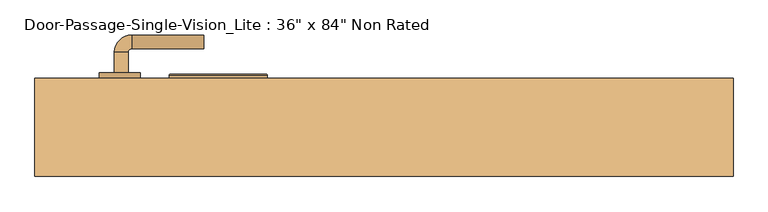
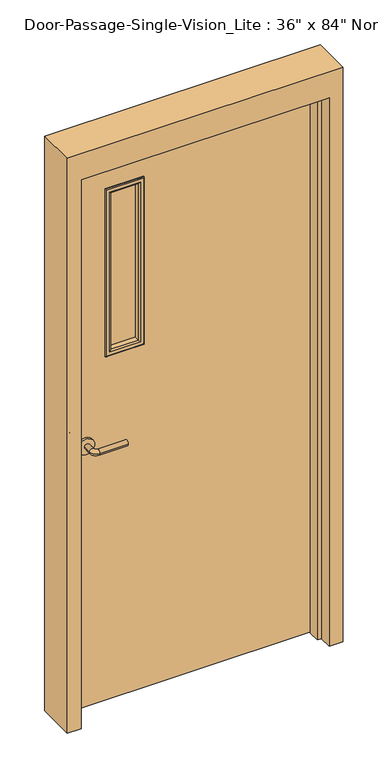
"""IFC4 building model written with IfcOpenShell, lengths in millimetres: door geometry."""

from ifc_helpers import new_model, si_unit, point, frame, frame_2d, origin, place, context, project, spatial, polyline, circle_curve, ellipse_curve, trimmed, segment, composite_curve, outline, extrude, faceted_brep, source, transform, mapped, element, save
from ifc_brep_helpers import plane_surface, cylinder_surface, revolved_surface, advanced_brep


def door_d94f2980(model_context):
    return source(origin(), model_context, "Body", "SolidModel", [
        advanced_brep(
        [(-392.190625, 25.3375, 1016.0), (-372.190625, 25.3375, 1016.0), (-372.190625, -4.6625, 1016.0), (-392.190625, -4.6625, 1016.0), (-367.190625, -9.6625, 1016.0), (-367.190625, -29.6625, 1016.0), (-262.190625, -29.6625, 1016.0), (-262.190625, -9.6625, 1016.0)],
        [
            (0, 1, circle_curve(frame((-382.190625, 25.3375, 1016.0), z_axis=(0.0, 1.0, 0.0), x_axis=(1.0, 0.0, 0.0)), 10.0)),
            (1, 0, circle_curve(frame((-382.190625, 25.3375, 1016.0), z_axis=(0.0, 1.0, 0.0), x_axis=(1.0, 0.0, 0.0)), 10.0)),
            (1, 2),
            (2, 3, circle_curve(frame((-382.190625, -4.6625, 1016.0), z_axis=(0.0, 1.0, 0.0), x_axis=(1.0, 0.0, 0.0)), 10.0)),
            (3, 0),
            (3, 2, circle_curve(frame((-382.190625, -4.6625, 1016.0), z_axis=(0.0, 1.0, 0.0), x_axis=(1.0, 0.0, 0.0)), 10.0)),
            (4, 5, circle_curve(frame((-367.190625, -19.6625, 1016.0), z_axis=(-1.0, 0.0, 0.0), x_axis=(0.0, 1.0, 0.0)), 10.0)),
            (5, 3, circle_curve(frame((-367.190625, -4.6625, 1016.0), z_axis=(0.0, 0.0, -1.0), x_axis=(-1.0, 0.0, 0.0)), 25.0)),
            (2, 4, circle_curve(frame((-367.190625, -4.6625, 1016.0), z_axis=(0.0, 0.0, 1.0), x_axis=(-1.0, 0.0, 0.0)), 5.0)),
            (5, 4, circle_curve(frame((-367.190625, -19.6625, 1016.0), z_axis=(-1.0, 0.0, 0.0), x_axis=(0.0, 1.0, 0.0)), 10.0)),
            (6, 7, circle_curve(frame((-262.190625, -19.6625, 1016.0), z_axis=(1.0, 0.0, 0.0), x_axis=(0.0, 1.0, 0.0)), 10.0)),
            (7, 6, circle_curve(frame((-262.190625, -19.6625, 1016.0), z_axis=(1.0, 0.0, 0.0), x_axis=(0.0, 1.0, 0.0)), 10.0)),
            (4, 7),
            (6, 5),
        ],
        [
            plane_surface(frame((-382.190625, 25.3375, 1016.0), z_axis=(0.0, 1.0, 0.0), x_axis=(0.0, 0.0, 1.0))),
            cylinder_surface(frame((-382.190625, 25.3375, 1016.0), z_axis=(0.0, 1.0, 0.0), x_axis=(1.0, 0.0, 0.0)), 10.0),
            revolved_surface(trimmed(ellipse_curve(frame((-382.190625, -4.6625, 1016.0), z_axis=(0.0, -1.0, 0.0), x_axis=(1.0, 0.0, 0.0)), 10.0, 10.0), [point((-392.190625, -4.6625, 1016.0))], [point((-372.190625, -4.6625, 1016.0))], True, "CARTESIAN"), (-367.190625, -4.6625, 1016.0), (0.0, 0.0, -1.0)),
            revolved_surface(trimmed(ellipse_curve(frame((-382.190625, -4.6625, 1016.0), z_axis=(0.0, -1.0, 0.0), x_axis=(1.0, 0.0, 0.0)), 10.0, 10.0), [point((-372.190625, -4.6625, 1016.0))], [point((-392.190625, -4.6625, 1016.0))], True, "CARTESIAN"), (-367.190625, -4.6625, 1016.0), (0.0, 0.0, -1.0)),
            plane_surface(frame((-262.190625, -19.6625, 1016.0), z_axis=(1.0, 0.0, 0.0), x_axis=(0.0, 0.0, 1.0))),
            cylinder_surface(frame((-367.190625, -19.6625, 1016.0), z_axis=(-1.0, 0.0, 0.0), x_axis=(0.0, 1.0, 0.0)), 10.0),
        ],
        [
            (0, [[1, 2]]),
            (1, [[3, 4, 5, -2]]),
            (1, [[-5, 6, -3, -1]]),
            (2, [[7, 8, -4, 9]]),
            (3, [[10, -9, -6, -8]]),
            (4, [[11, 12]]),
            (5, [[13, -11, 14, -7]]),
            (5, [[-14, -12, -13, -10]]),
        ],
    ),
        extrude(outline(composite_curve([segment(trimmed(circle_curve(frame_2d((1016.0, -384.690625)), 30.0), [point((1016.0, -414.690625))], [point((1016.0, -354.690625))], False, "CARTESIAN"), True, "CONTINUOUS"), segment(trimmed(circle_curve(frame_2d((1016.0, -384.690625)), 30.0), [point((1016.0, -354.690625))], [point((1016.0, -414.690625))], False, "CARTESIAN"), True, "CONTINUOUS")], self_intersect=False)), frame((0.0, 25.3375, 0.0), z_axis=(0.0, 1.0, 0.0), x_axis=(0.0, 0.0, 1.0)), (0.0, 0.0, 1.0), 8.0),
        advanced_brep(
        [(-392.190625, 85.7875, 1016.0), (-372.190625, 85.7875, 1016.0), (-392.190625, 115.7875, 1016.0), (-372.190625, 115.7875, 1016.0), (-367.190625, 120.7875, 1016.0), (-367.190625, 140.7875, 1016.0), (-262.190625, 140.7875, 1016.0), (-262.190625, 120.7875, 1016.0)],
        [
            (0, 1, circle_curve(frame((-382.190625, 85.7875, 1016.0), z_axis=(0.0, -1.0, 0.0), x_axis=(1.0, 0.0, 0.0)), 10.0)),
            (1, 0, circle_curve(frame((-382.190625, 85.7875, 1016.0), z_axis=(0.0, -1.0, 0.0), x_axis=(1.0, 0.0, 0.0)), 10.0)),
            (0, 2),
            (2, 3, circle_curve(frame((-382.190625, 115.7875, 1016.0), z_axis=(0.0, -1.0, 0.0), x_axis=(1.0, 0.0, 0.0)), 10.0)),
            (3, 1),
            (3, 2, circle_curve(frame((-382.190625, 115.7875, 1016.0), z_axis=(0.0, -1.0, 0.0), x_axis=(1.0, 0.0, 0.0)), 10.0)),
            (4, 3, circle_curve(frame((-367.190625, 115.7875, 1016.0), z_axis=(0.0, 0.0, 1.0), x_axis=(-1.0, 0.0, 0.0)), 5.0)),
            (2, 5, circle_curve(frame((-367.190625, 115.7875, 1016.0), z_axis=(0.0, 0.0, -1.0), x_axis=(-1.0, 0.0, 0.0)), 25.0)),
            (5, 4, circle_curve(frame((-367.190625, 130.7875, 1016.0), z_axis=(-1.0, 0.0, 0.0), x_axis=(0.0, -1.0, 0.0)), 10.0)),
            (4, 5, circle_curve(frame((-367.190625, 130.7875, 1016.0), z_axis=(-1.0, 0.0, 0.0), x_axis=(0.0, -1.0, 0.0)), 10.0)),
            (6, 7, circle_curve(frame((-262.190625, 130.7875, 1016.0), z_axis=(1.0, 0.0, 0.0), x_axis=(0.0, -1.0, 0.0)), 10.0)),
            (7, 6, circle_curve(frame((-262.190625, 130.7875, 1016.0), z_axis=(1.0, 0.0, 0.0), x_axis=(0.0, -1.0, 0.0)), 10.0)),
            (5, 6),
            (7, 4),
        ],
        [
            plane_surface(frame((-382.190625, 85.7875, 1016.0), z_axis=(0.0, -1.0, 0.0), x_axis=(0.0, 0.0, 1.0))),
            cylinder_surface(frame((-382.190625, 85.7875, 1016.0), z_axis=(0.0, -1.0, 0.0), x_axis=(1.0, 0.0, 0.0)), 10.0),
            revolved_surface(trimmed(ellipse_curve(frame((-382.190625, 115.7875, 1016.0), z_axis=(0.0, -1.0, 0.0), x_axis=(1.0, 0.0, 0.0)), 10.0, 10.0), [point((-392.190625, 115.7875, 1016.0))], [point((-372.190625, 115.7875, 1016.0))], True, "CARTESIAN"), (-367.190625, 115.7875, 1016.0), (0.0, 0.0, -1.0)),
            revolved_surface(trimmed(ellipse_curve(frame((-382.190625, 115.7875, 1016.0), z_axis=(0.0, -1.0, 0.0), x_axis=(1.0, 0.0, 0.0)), 10.0, 10.0), [point((-372.190625, 115.7875, 1016.0))], [point((-392.190625, 115.7875, 1016.0))], True, "CARTESIAN"), (-367.190625, 115.7875, 1016.0), (0.0, 0.0, -1.0)),
            plane_surface(frame((-262.190625, 130.7875, 1016.0), z_axis=(1.0, 0.0, 0.0), x_axis=(0.0, 0.0, 1.0))),
            cylinder_surface(frame((-367.190625, 130.7875, 1016.0), z_axis=(-1.0, 0.0, 0.0), x_axis=(0.0, -1.0, 0.0)), 10.0),
        ],
        [
            (0, [[1, 2]]),
            (1, [[-1, 3, 4, 5]]),
            (1, [[-2, -5, 6, -3]]),
            (2, [[7, -4, 8, 9]]),
            (3, [[-8, -6, -7, 10]]),
            (4, [[11, 12]]),
            (5, [[-9, 13, -12, 14]]),
            (5, [[-10, -14, -11, -13]]),
        ],
    ),
        extrude(outline(composite_curve([segment(trimmed(circle_curve(frame_2d((1016.0, -384.690625)), 30.0), [point((1016.0, -414.690625))], [point((1016.0, -354.690625))], False, "CARTESIAN"), True, "CONTINUOUS"), segment(trimmed(circle_curve(frame_2d((1016.0, -384.690625)), 30.0), [point((1016.0, -354.690625))], [point((1016.0, -414.690625))], False, "CARTESIAN"), True, "CONTINUOUS")], self_intersect=False)), frame((0.0, 77.7875, 0.0), z_axis=(0.0, 1.0, 0.0), x_axis=(0.0, 0.0, 1.0)), (0.0, 0.0, 1.0), 8.0),
        faceted_brep([(457.2, 28.575, 0.0), (457.2, 77.7875, 0.0), (508.0, 77.7875, 0.0), (508.0, -65.0875, 0.0), (457.2, -65.0875, 0.0), (457.2, -15.875, 0.0), (441.325, -15.875, 0.0), (441.325, 28.575, 0.0), (457.2, 28.575, 2133.6), (457.2, 77.7875, 2133.6), (-457.2, 77.7875, 2133.6), (-457.2, 77.7875, 0.0), (-508.0, 77.7875, 0.0), (-508.0, 77.7875, 2235.2), (508.0, 77.7875, 2235.2), (508.0, -65.0875, 2235.2), (-508.0, -65.0875, 2235.2), (-508.0, -65.0875, 0.0), (-457.2, -65.0875, 0.0), (-457.2, -65.0875, 2133.6), (457.2, -65.0875, 2133.6), (457.2, -15.875, 2133.6), (-457.2, -15.875, 2133.6), (-457.2, -15.875, 0.0), (-441.325, -15.875, 0.0), (-441.325, -15.875, 2117.725), (441.325, -15.875, 2117.725), (441.325, 28.575, 2117.725), (-441.325, 28.575, 2117.725), (-441.325, 28.575, 0.0), (-457.2, 28.575, 0.0), (-457.2, 28.575, 2133.6)], [[[0, 1, 2, 3, 4, 5, 6, 7]], [[1, 0, 8, 9]], [[2, 1, 9, 10, 11, 12, 13, 14]], [[3, 2, 14, 15]], [[4, 3, 15, 16, 17, 18, 19, 20]], [[5, 4, 20, 21]], [[6, 5, 21, 22, 23, 24, 25, 26]], [[7, 6, 26, 27]], [[0, 7, 27, 28, 29, 30, 31, 8]], [[9, 8, 31, 10]], [[20, 19, 22, 21]], [[26, 25, 28, 27]], [[12, 11, 30, 29, 24, 23, 18, 17]], [[11, 10, 31, 30]], [[13, 12, 17, 16]], [[19, 18, 23, 22]], [[25, 24, 29, 28]], [[15, 14, 13, 16]]]),
        extrude(outline(polyline([(2133.6, -457.2), (0.0, -457.2), (0.0, 457.2), (2133.6, 457.2), (2133.6, -457.2)]), holes=[polyline([(1981.2, -304.8), (1981.2, -177.8), (1346.2, -177.8), (1346.2, -304.8), (1981.2, -304.8)])]), frame((0.0, 33.3375, 0.0), z_axis=(0.0, 1.0, 0.0), x_axis=(0.0, 0.0, 1.0)), (0.0, 0.0, 1.0), 44.45),
        extrude(outline(polyline([(-177.8, 52.3875), (-304.8, 52.3875), (-304.8, 58.7375), (-177.8, 58.7375), (-177.8, 52.3875)])), frame((0.0, 0.0, 1346.2), z_axis=(0.0, 0.0, 1.0), x_axis=(1.0, 0.0, 0.0)), (0.0, 0.0, 1.0), 635.0),
        advanced_brep(
        [(-304.8, 52.3875, 1346.2), (-304.8, 33.3375, 1346.2), (-304.8, 33.3375, 1981.2), (-304.8, 52.3875, 1981.2), (-292.8, 32.3375, 1358.2), (-292.8, 52.3875, 1358.2), (-292.8, 52.3875, 1969.2), (-292.8, 32.3375, 1969.2), (-297.8, 27.3375, 1353.2), (-297.8, 27.3375, 1974.2), (-312.8, 29.3375, 1338.2), (-310.8, 27.3375, 1340.2), (-310.8, 27.3375, 1987.2), (-312.8, 29.3375, 1989.2), (-312.8, 33.3375, 1338.2), (-312.8, 33.3375, 1989.2), (-177.8, 33.3375, 1981.2), (-177.8, 52.3875, 1981.2), (-189.8, 52.3875, 1969.2), (-189.8, 32.3375, 1969.2), (-184.8, 27.3375, 1974.2), (-171.8, 27.3375, 1987.2), (-169.8, 29.3375, 1989.2), (-169.8, 33.3375, 1989.2), (-177.8, 33.3375, 1346.2), (-177.8, 52.3875, 1346.2), (-189.8, 52.3875, 1358.2), (-189.8, 32.3375, 1358.2), (-184.8, 27.3375, 1353.2), (-171.8, 27.3375, 1340.2), (-169.8, 29.3375, 1338.2), (-169.8, 33.3375, 1338.2)],
        [
            (0, 1),
            (1, 2),
            (2, 3),
            (3, 0),
            (4, 5),
            (5, 6),
            (6, 7),
            (7, 4),
            (8, 4, ellipse_curve(frame((-297.8, 32.3375, 1353.2), z_axis=(-0.7071067811865475, 0.0, 0.7071067811865475), x_axis=(-0.7071067811865474, 0.0, -0.7071067811865476)), 7.0710678, 5.0)),
            (7, 9, ellipse_curve(frame((-297.8, 32.3375, 1974.2), z_axis=(-0.7071067811865475, 0.0, -0.7071067811865475), x_axis=(0.7071067811865474, 0.0, -0.7071067811865476)), 7.0710678, 5.0)),
            (9, 8),
            (10, 11, ellipse_curve(frame((-310.8, 29.3375, 1340.2), z_axis=(-0.7071067811865475, 0.0, 0.7071067811865475), x_axis=(-0.7071067811865474, 0.0, -0.7071067811865476)), 2.8284271, 2.0)),
            (11, 12),
            (12, 13, ellipse_curve(frame((-310.8, 29.3375, 1987.2), z_axis=(-0.7071067811865475, 0.0, -0.7071067811865475), x_axis=(0.7071067811865474, 0.0, -0.7071067811865476)), 2.8284271, 2.0)),
            (13, 10),
            (14, 10),
            (13, 15),
            (15, 14),
            (2, 16),
            (16, 17),
            (17, 3),
            (6, 18),
            (18, 19),
            (19, 7),
            (19, 20, ellipse_curve(frame((-184.8, 32.3375, 1974.2), z_axis=(-0.7071067811865475, 0.0, 0.7071067811865475), x_axis=(-0.7071067811865476, 0.0, -0.7071067811865474)), 7.0710678, 5.0)),
            (20, 9),
            (12, 21),
            (21, 22, ellipse_curve(frame((-171.8, 29.3375, 1987.2), z_axis=(-0.7071067811865475, 0.0, 0.7071067811865475), x_axis=(-0.7071067811865476, 0.0, -0.7071067811865474)), 2.8284271, 2.0)),
            (22, 13),
            (22, 23),
            (23, 15),
            (16, 24),
            (24, 25),
            (25, 17),
            (18, 26),
            (26, 27),
            (27, 19),
            (27, 28, ellipse_curve(frame((-184.8, 32.3375, 1353.2), z_axis=(0.7071067811865475, 0.0, 0.7071067811865475), x_axis=(-0.7071067811865474, 0.0, 0.7071067811865476)), 7.0710678, 5.0)),
            (28, 20),
            (21, 29),
            (29, 30, ellipse_curve(frame((-171.8, 29.3375, 1340.2), z_axis=(0.7071067811865475, 0.0, 0.7071067811865475), x_axis=(-0.7071067811865474, 0.0, 0.7071067811865476)), 2.8284271, 2.0)),
            (30, 22),
            (30, 31),
            (31, 23),
            (31, 14),
            (1, 24),
            (0, 25),
            (5, 26),
            (4, 27),
            (8, 28),
            (11, 29),
            (10, 30),
        ],
        [
            plane_surface(frame((-304.8, 33.3375, 1346.2), z_axis=(-1.0, 0.0, 0.0), x_axis=(0.0, 0.0, 1.0))),
            plane_surface(frame((-292.8, 52.3875, 1358.2), z_axis=(1.0, 0.0, 0.0), x_axis=(0.0, 0.0, 1.0))),
            cylinder_surface(frame((-297.8, 32.3375, 1346.2), z_axis=(0.0, 0.0, -1.0), x_axis=(-1.0, 0.0, 0.0)), 5.0),
            cylinder_surface(frame((-310.8, 29.3375, 1346.2), z_axis=(0.0, 0.0, -1.0), x_axis=(-1.0, 0.0, 0.0)), 2.0),
            plane_surface(frame((-312.8, 29.3375, 1338.2), z_axis=(-1.0, 0.0, 0.0), x_axis=(0.0, 0.0, 1.0))),
            plane_surface(frame((-304.8, 33.3375, 1981.2), z_axis=(0.0, 0.0, 1.0), x_axis=(1.0, 0.0, 0.0))),
            plane_surface(frame((-292.8, 52.3875, 1969.2), z_axis=(0.0, 0.0, -1.0), x_axis=(1.0, 0.0, 0.0))),
            cylinder_surface(frame((-304.8, 32.3375, 1974.2), z_axis=(-1.0, 0.0, 0.0), x_axis=(0.0, 0.0, 1.0)), 5.0),
            cylinder_surface(frame((-304.8, 29.3375, 1987.2), z_axis=(-1.0, 0.0, 0.0), x_axis=(0.0, 0.0, 1.0)), 2.0),
            plane_surface(frame((-312.8, 29.3375, 1989.2), z_axis=(0.0, 0.0, 1.0), x_axis=(1.0, 0.0, 0.0))),
            plane_surface(frame((-177.8, 33.3375, 1981.2), z_axis=(1.0, 0.0, 0.0), x_axis=(0.0, 0.0, -1.0))),
            plane_surface(frame((-189.8, 52.3875, 1969.2), z_axis=(-1.0, 0.0, 0.0), x_axis=(0.0, 0.0, -1.0))),
            cylinder_surface(frame((-184.8, 32.3375, 1981.2), z_axis=(0.0, 0.0, 1.0), x_axis=(1.0, 0.0, 0.0)), 5.0),
            cylinder_surface(frame((-171.8, 29.3375, 1981.2), z_axis=(0.0, 0.0, 1.0), x_axis=(1.0, 0.0, 0.0)), 2.0),
            plane_surface(frame((-169.8, 29.3375, 1989.2), z_axis=(1.0, 0.0, 0.0), x_axis=(0.0, 0.0, -1.0))),
            plane_surface(frame((-169.8, 33.3375, 1338.2), z_axis=(0.0, 1.0, 0.0), x_axis=(-1.0, 0.0, 0.0))),
            plane_surface(frame((-177.8, 33.3375, 1346.2), z_axis=(0.0, 0.0, -1.0), x_axis=(-1.0, 0.0, 0.0))),
            plane_surface(frame((-177.8, 52.3875, 1346.2), z_axis=(0.0, 1.0, 0.0), x_axis=(-1.0, 0.0, 0.0))),
            plane_surface(frame((-189.8, 52.3875, 1358.2), z_axis=(0.0, 0.0, 1.0), x_axis=(-1.0, 0.0, 0.0))),
            cylinder_surface(frame((-177.8, 32.3375, 1353.2), z_axis=(1.0, 0.0, 0.0), x_axis=(0.0, 0.0, -1.0)), 5.0),
            plane_surface(frame((-184.8, 27.3375, 1353.2), z_axis=(0.0, -1.0, 0.0), x_axis=(-1.0, 0.0, 0.0))),
            cylinder_surface(frame((-177.8, 29.3375, 1340.2), z_axis=(1.0, 0.0, 0.0), x_axis=(0.0, 0.0, -1.0)), 2.0),
            plane_surface(frame((-169.8, 29.3375, 1338.2), z_axis=(0.0, 0.0, -1.0), x_axis=(-1.0, 0.0, 0.0))),
        ],
        [
            (0, [[1, 2, 3, 4]]),
            (1, [[5, 6, 7, 8]]),
            (2, [[9, -8, 10, 11]]),
            (3, [[12, 13, 14, 15]]),
            (4, [[16, -15, 17, 18]]),
            (5, [[-3, 19, 20, 21]]),
            (6, [[-7, 22, 23, 24]]),
            (7, [[-10, -24, 25, 26]]),
            (8, [[-14, 27, 28, 29]]),
            (9, [[-17, -29, 30, 31]]),
            (10, [[-20, 32, 33, 34]]),
            (11, [[-23, 35, 36, 37]]),
            (12, [[-25, -37, 38, 39]]),
            (13, [[-28, 40, 41, 42]]),
            (14, [[-30, -42, 43, 44]]),
            (15, [[-31, -44, 45, -18], [46, -32, -19, -2]]),
            (16, [[-33, -46, -1, 47]]),
            (17, [[-21, -34, -47, -4], [48, -35, -22, -6]]),
            (18, [[-36, -48, -5, 49]]),
            (19, [[-38, -49, -9, 50]]),
            (20, [[51, -40, -27, -13], [-26, -39, -50, -11]]),
            (21, [[-41, -51, -12, 52]]),
            (22, [[-43, -52, -16, -45]]),
        ],
    ),
        advanced_brep(
        [(-304.8, 58.7375, 1981.2), (-304.8, 77.7875, 1981.2), (-304.8, 77.7875, 1346.2), (-304.8, 58.7375, 1346.2), (-292.8, 78.7875, 1969.2), (-292.8, 58.7375, 1969.2), (-292.8, 58.7375, 1358.2), (-292.8, 78.7875, 1358.2), (-297.8, 83.7875, 1974.2), (-297.8, 83.7875, 1353.2), (-312.8, 81.7875, 1989.2), (-310.8, 83.7875, 1987.2), (-310.8, 83.7875, 1340.2), (-312.8, 81.7875, 1338.2), (-312.8, 77.7875, 1989.2), (-312.8, 77.7875, 1338.2), (-177.8, 77.7875, 1346.2), (-177.8, 58.7375, 1346.2), (-189.8, 58.7375, 1358.2), (-189.8, 78.7875, 1358.2), (-184.8, 83.7875, 1353.2), (-171.8, 83.7875, 1340.2), (-169.8, 81.7875, 1338.2), (-169.8, 77.7875, 1338.2), (-177.8, 77.7875, 1981.2), (-177.8, 58.7375, 1981.2), (-189.8, 58.7375, 1969.2), (-189.8, 78.7875, 1969.2), (-184.8, 83.7875, 1974.2), (-171.8, 83.7875, 1987.2), (-169.8, 81.7875, 1989.2), (-169.8, 77.7875, 1989.2)],
        [
            (0, 1),
            (1, 2),
            (2, 3),
            (3, 0),
            (4, 5),
            (5, 6),
            (6, 7),
            (7, 4),
            (8, 4, ellipse_curve(frame((-297.8, 78.7875, 1974.2), z_axis=(-0.7071067811865475, 0.0, -0.7071067811865475), x_axis=(-0.7071067811865474, 0.0, 0.7071067811865476)), 7.0710678, 5.0)),
            (7, 9, ellipse_curve(frame((-297.8, 78.7875, 1353.2), z_axis=(-0.7071067811865475, 0.0, 0.7071067811865475), x_axis=(0.7071067811865474, 0.0, 0.7071067811865476)), 7.0710678, 5.0)),
            (9, 8),
            (10, 11, ellipse_curve(frame((-310.8, 81.7875, 1987.2), z_axis=(-0.7071067811865475, 0.0, -0.7071067811865475), x_axis=(-0.7071067811865474, 0.0, 0.7071067811865476)), 2.8284271, 2.0)),
            (11, 12),
            (12, 13, ellipse_curve(frame((-310.8, 81.7875, 1340.2), z_axis=(-0.7071067811865475, 0.0, 0.7071067811865475), x_axis=(0.7071067811865474, 0.0, 0.7071067811865476)), 2.8284271, 2.0)),
            (13, 10),
            (14, 10),
            (13, 15),
            (15, 14),
            (2, 16),
            (16, 17),
            (17, 3),
            (6, 18),
            (18, 19),
            (19, 7),
            (19, 20, ellipse_curve(frame((-184.8, 78.7875, 1353.2), z_axis=(-0.7071067811865475, 0.0, -0.7071067811865475), x_axis=(-0.7071067811865476, 0.0, 0.7071067811865474)), 7.0710678, 5.0)),
            (20, 9),
            (12, 21),
            (21, 22, ellipse_curve(frame((-171.8, 81.7875, 1340.2), z_axis=(-0.7071067811865475, 0.0, -0.7071067811865475), x_axis=(-0.7071067811865476, 0.0, 0.7071067811865474)), 2.8284271, 2.0)),
            (22, 13),
            (22, 23),
            (23, 15),
            (16, 24),
            (24, 25),
            (25, 17),
            (18, 26),
            (26, 27),
            (27, 19),
            (27, 28, ellipse_curve(frame((-184.8, 78.7875, 1974.2), z_axis=(0.7071067811865475, 0.0, -0.7071067811865475), x_axis=(-0.7071067811865474, 0.0, -0.7071067811865476)), 7.0710678, 5.0)),
            (28, 20),
            (21, 29),
            (29, 30, ellipse_curve(frame((-171.8, 81.7875, 1987.2), z_axis=(0.7071067811865475, 0.0, -0.7071067811865475), x_axis=(-0.7071067811865474, 0.0, -0.7071067811865476)), 2.8284271, 2.0)),
            (30, 22),
            (30, 31),
            (31, 23),
            (31, 14),
            (1, 24),
            (0, 25),
            (5, 26),
            (4, 27),
            (8, 28),
            (11, 29),
            (10, 30),
        ],
        [
            plane_surface(frame((-304.8, 77.7875, 1981.2), z_axis=(-1.0, 0.0, 0.0), x_axis=(0.0, 0.0, -1.0))),
            plane_surface(frame((-292.8, 58.7375, 1969.2), z_axis=(1.0, 0.0, 0.0), x_axis=(0.0, 0.0, -1.0))),
            cylinder_surface(frame((-297.8, 78.7875, 1981.2), z_axis=(0.0, 0.0, 1.0), x_axis=(-1.0, 0.0, 0.0)), 5.0),
            cylinder_surface(frame((-310.8, 81.7875, 1981.2), z_axis=(0.0, 0.0, 1.0), x_axis=(-1.0, 0.0, 0.0)), 2.0),
            plane_surface(frame((-312.8, 81.7875, 1989.2), z_axis=(-1.0, 0.0, 0.0), x_axis=(0.0, 0.0, -1.0))),
            plane_surface(frame((-304.8, 77.7875, 1346.2), z_axis=(0.0, 0.0, -1.0), x_axis=(1.0, 0.0, 0.0))),
            plane_surface(frame((-292.8, 58.7375, 1358.2), z_axis=(0.0, 0.0, 1.0), x_axis=(1.0, 0.0, 0.0))),
            cylinder_surface(frame((-304.8, 78.7875, 1353.2), z_axis=(-1.0, 0.0, 0.0), x_axis=(0.0, 0.0, -1.0)), 5.0),
            cylinder_surface(frame((-304.8, 81.7875, 1340.2), z_axis=(-1.0, 0.0, 0.0), x_axis=(0.0, 0.0, -1.0)), 2.0),
            plane_surface(frame((-312.8, 81.7875, 1338.2), z_axis=(0.0, 0.0, -1.0), x_axis=(1.0, 0.0, 0.0))),
            plane_surface(frame((-177.8, 77.7875, 1346.2), z_axis=(1.0, 0.0, 0.0), x_axis=(0.0, 0.0, 1.0))),
            plane_surface(frame((-189.8, 58.7375, 1358.2), z_axis=(-1.0, 0.0, 0.0), x_axis=(0.0, 0.0, 1.0))),
            cylinder_surface(frame((-184.8, 78.7875, 1346.2), z_axis=(0.0, 0.0, -1.0), x_axis=(1.0, 0.0, 0.0)), 5.0),
            cylinder_surface(frame((-171.8, 81.7875, 1346.2), z_axis=(0.0, 0.0, -1.0), x_axis=(1.0, 0.0, 0.0)), 2.0),
            plane_surface(frame((-169.8, 81.7875, 1338.2), z_axis=(1.0, 0.0, 0.0), x_axis=(0.0, 0.0, 1.0))),
            plane_surface(frame((-169.8, 77.7875, 1989.2), z_axis=(0.0, -1.0, 0.0), x_axis=(-1.0, 0.0, 0.0))),
            plane_surface(frame((-177.8, 77.7875, 1981.2), z_axis=(0.0, 0.0, 1.0), x_axis=(-1.0, 0.0, 0.0))),
            plane_surface(frame((-177.8, 58.7375, 1981.2), z_axis=(0.0, -1.0, 0.0), x_axis=(-1.0, 0.0, 0.0))),
            plane_surface(frame((-189.8, 58.7375, 1969.2), z_axis=(0.0, 0.0, -1.0), x_axis=(-1.0, 0.0, 0.0))),
            cylinder_surface(frame((-177.8, 78.7875, 1974.2), z_axis=(1.0, 0.0, 0.0), x_axis=(0.0, 0.0, 1.0)), 5.0),
            plane_surface(frame((-184.8, 83.7875, 1974.2), z_axis=(0.0, 1.0, 0.0), x_axis=(-1.0, 0.0, 0.0))),
            cylinder_surface(frame((-177.8, 81.7875, 1987.2), z_axis=(1.0, 0.0, 0.0), x_axis=(0.0, 0.0, 1.0)), 2.0),
            plane_surface(frame((-169.8, 81.7875, 1989.2), z_axis=(0.0, 0.0, 1.0), x_axis=(-1.0, 0.0, 0.0))),
        ],
        [
            (0, [[1, 2, 3, 4]]),
            (1, [[5, 6, 7, 8]]),
            (2, [[9, -8, 10, 11]]),
            (3, [[12, 13, 14, 15]]),
            (4, [[16, -15, 17, 18]]),
            (5, [[-3, 19, 20, 21]]),
            (6, [[-7, 22, 23, 24]]),
            (7, [[-10, -24, 25, 26]]),
            (8, [[-14, 27, 28, 29]]),
            (9, [[-17, -29, 30, 31]]),
            (10, [[-20, 32, 33, 34]]),
            (11, [[-23, 35, 36, 37]]),
            (12, [[-25, -37, 38, 39]]),
            (13, [[-28, 40, 41, 42]]),
            (14, [[-30, -42, 43, 44]]),
            (15, [[-31, -44, 45, -18], [46, -32, -19, -2]]),
            (16, [[-33, -46, -1, 47]]),
            (17, [[-21, -34, -47, -4], [48, -35, -22, -6]]),
            (18, [[-36, -48, -5, 49]]),
            (19, [[-38, -49, -9, 50]]),
            (20, [[51, -40, -27, -13], [-26, -39, -50, -11]]),
            (21, [[-41, -51, -12, 52]]),
            (22, [[-43, -52, -16, -45]]),
        ],
    ),
    ])


if __name__ == "__main__":
    model = new_model("IFC4")
    model_context = context("Model", 3, world=origin())
    ifc_project = project(units=[si_unit("LENGTHUNIT", "METRE", prefix="MILLI")], contexts=[model_context])
    site = spatial("IfcSite", under=ifc_project)
    building = spatial("IfcBuilding", under=site)
    placement = place(None, origin())
    door_shape = door_d94f2980(model_context)
    element("IfcDoor", 1, ObjectType="Door-Passage-Single-Vision_Lite : 36\" x 84\" Non Rated", at=placement, inside=building, context=model_context, shape_type="MappedRepresentation", body=[
        mapped(door_shape, transform((0.0, 0.0, 0.0), x_axis=(1.0, 0.0, 0.0), y_axis=(0.0, 1.0, 0.0), z_axis=(0.0, 0.0, 1.0))),
    ])
    save(model, "model.ifc")
